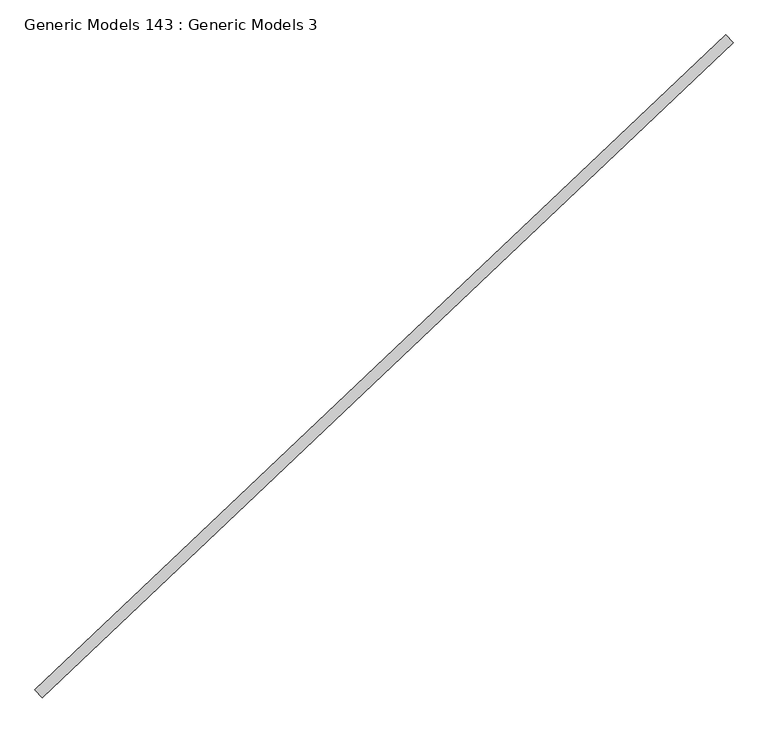
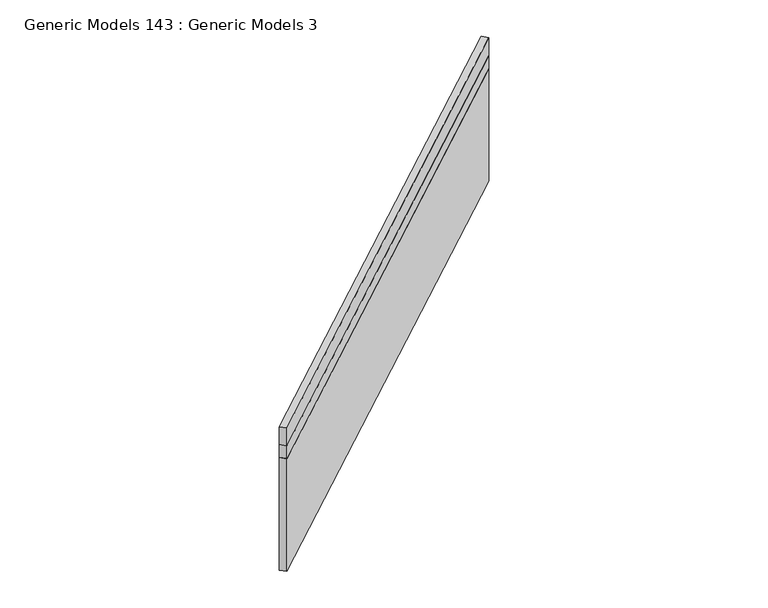
"""IFC4 building model written with IfcOpenShell, lengths in millimetres: proxy geometry, Generic Models 143 : Generic Models 3."""

from ifc_helpers import new_model, si_unit, frame, origin, place, context, project, spatial, polyline, outline, extrude, source, transform, mapped, element, save


def generic_models_143_generic_models_3_ff60d1a4(model_context):
    return source(origin(), model_context, "Body", "SweptSolid", [
        extrude(outline(polyline([(111505.6919305, 51506.9987478), (111540.660343, 51470.1497298), (108254.1885459, 48351.4044448), (108219.2201334, 48388.2534628), (111505.6919305, 51506.9987478)])), frame((0.0, 0.0, 18181.3663125), z_axis=(0.0, 0.0, 1.0), x_axis=(1.0, 0.0, 0.0)), (0.0, 0.0, 1.0), 137.8429219),
        extrude(outline(polyline([(108219.7665149, 48387.6776969), (111506.238312, 51506.4229819), (111540.660343, 51470.1497298), (108254.1885459, 48351.4044448), (108219.7665149, 48387.6776969)])), frame((0.0, 0.0, 18081.3538125), z_axis=(0.0, 0.0, 1.0), x_axis=(1.0, 0.0, 0.0)), (0.0, 0.0, 1.0), 98.425),
        extrude(outline(polyline([(111505.6919305, 51506.9987478), (111540.660343, 51470.1497298), (108254.1885459, 48351.4044448), (108219.2201334, 48388.2534628), (111505.6919305, 51506.9987478)])), frame((0.0, 0.0, 17201.6092344), z_axis=(0.0, 0.0, 1.0), x_axis=(1.0, 0.0, 0.0)), (0.0, 0.0, 1.0), 878.1570781),
    ])


if __name__ == "__main__":
    model = new_model("IFC4")
    model_context = context("Model", 3, world=origin())
    ifc_project = project(units=[si_unit("LENGTHUNIT", "METRE", prefix="MILLI")], contexts=[model_context])
    site = spatial("IfcSite", under=ifc_project)
    building = spatial("IfcBuilding", under=site)
    placement = place(None, origin())
    generic_models_143_generic_models_3_shape = generic_models_143_generic_models_3_ff60d1a4(model_context)
    element("IfcBuildingElementProxy", 1, Name="Generic Models 143 : Generic Models 3", ObjectType="Generic Models 143 : Generic Models 3", at=placement, inside=building, context=model_context, shape_type="MappedRepresentation", body=[
        mapped(generic_models_143_generic_models_3_shape, transform((0.0, 0.0, 0.0), x_axis=(1.0, 0.0, 0.0), y_axis=(0.0, 1.0, 0.0), z_axis=(0.0, 0.0, 1.0))),
    ])
    save(model, "model.ifc")
